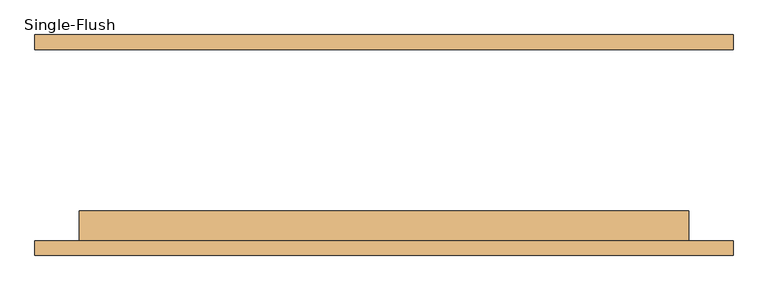
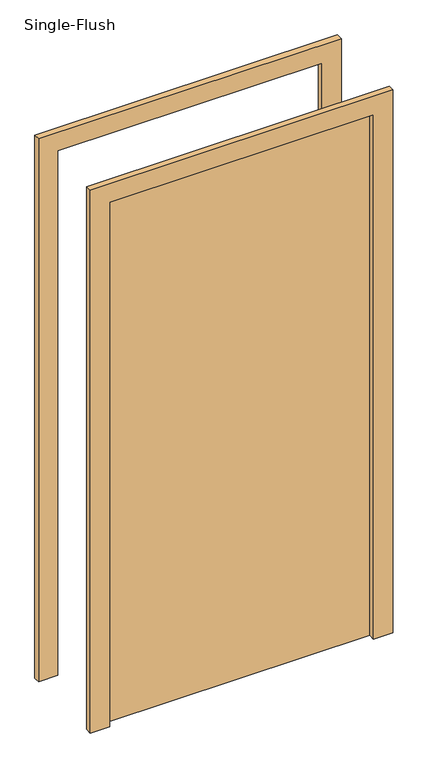
"""IFC4 building model written with IfcOpenShell, lengths in millimetres: door geometry, Single-Flush."""

import ifcopenshell
import ifcopenshell.guid

model = None  # the IFC model being written
_history = None  # IfcOwnerHistory: only IFC2X3 demands one
_inside = {}  # id of a spatial element -> (the spatial element, [elements in it])
_under = {}  # id of a project, library or spatial element -> (it, [spatial elements below it])
_declared = {}  # id of a project -> (the project, [libraries it declares])
_typed = {}  # id of a type object -> (the type object, [elements of that type])
_made_of = {}  # id of a material, layer set ... -> (it, [elements and type objects made of it])


def new_model(schema):
    """Start an empty IFC model of exactly this schema.

    Asked for "IFC4X3", IfcOpenShell would pick the latest addendum, in which some entities
    have other attributes; the version numbers below select the first issue.
    IFC2X3 requires an IfcOwnerHistory on every rooted entity: one is made here for all.
    """
    global model, _history
    if schema == "IFC4X3":
        model = ifcopenshell.file(schema_version=(4, 3, 0, 0))
    else:
        model = ifcopenshell.file(schema=schema)
    _inside.clear()
    _under.clear()
    _declared.clear()
    _typed.clear()
    _made_of.clear()
    _history = None
    if model.schema == "IFC2X3":
        org = make("IfcOrganization", Name="unknown")
        user = make(
            "IfcPersonAndOrganization",
            ThePerson=make("IfcPerson", FamilyName="unknown"),
            TheOrganization=org,
        )
        app = make(
            "IfcApplication",
            ApplicationDeveloper=org,
            Version="unknown",
            ApplicationFullName="unknown",
            ApplicationIdentifier="unknown",
        )
        _history = make(
            "IfcOwnerHistory",
            OwningUser=user,
            OwningApplication=app,
            ChangeAction="ADDED",
            CreationDate=0,
        )
    return model


def make(cls, **values):
    """One entity of the class cls with the attributes given. An attribute that is None is left unset."""
    return model.create_entity(
        cls, **{name: value for name, value in values.items() if value is not None}
    )


def rooted(cls, **values):
    """An entity with a GlobalId (a new one), such as an element, a storey or a relation."""
    return make(cls, GlobalId=ifcopenshell.guid.new(), OwnerHistory=_history, **values)


def si_unit(unit_type, name, prefix=None):
    """IfcSIUnit, for example si_unit("LENGTHUNIT", "METRE", prefix="MILLI")."""
    return make("IfcSIUnit", UnitType=unit_type, Prefix=prefix, Name=name)


def assignment(units):
    """IfcUnitAssignment: the units of a project."""
    return None if units is None else make("IfcUnitAssignment", Units=units)


def point(xyz):
    """IfcCartesianPoint."""
    return None if xyz is None else make("IfcCartesianPoint", Coordinates=xyz)


def direction(xyz):
    """IfcDirection."""
    return None if xyz is None else make("IfcDirection", DirectionRatios=xyz)


def frame(location, z_axis=None, x_axis=None):
    """IfcAxis2Placement3D, a coordinate frame: its origin and axes. An axis left out is left unset."""
    return make(
        "IfcAxis2Placement3D",
        Location=point(location),
        Axis=direction(z_axis),
        RefDirection=direction(x_axis),
    )


def origin():
    """The frame at (0, 0, 0) with its axes left unset."""
    return frame((0.0, 0.0, 0.0))


def origin_with_axes():
    """The frame at (0, 0, 0) with the z axis (0, 0, 1) and the x axis (1, 0, 0) written out."""
    return frame((0.0, 0.0, 0.0), z_axis=(0.0, 0.0, 1.0), x_axis=(1.0, 0.0, 0.0))


def place(relative_to, where):
    """IfcLocalPlacement: puts the frame where relative to a parent placement (None: the world)."""
    return make(
        "IfcLocalPlacement", PlacementRelTo=relative_to, RelativePlacement=where
    )


def context(
    kind, dimensions, precision=None, world=None, true_north=None, identifier=None
):
    """IfcGeometricRepresentationContext, for example the 3D "Model" context."""
    return make(
        "IfcGeometricRepresentationContext",
        ContextIdentifier=identifier,
        ContextType=kind,
        CoordinateSpaceDimension=dimensions,
        Precision=precision,
        WorldCoordinateSystem=world,
        TrueNorth=true_north,
    )


def project(units=None, contexts=None):
    """IfcProject with its units and contexts."""
    return rooted(
        "IfcProject",
        Name="project",
        RepresentationContexts=contexts,
        UnitsInContext=assignment(units),
    )


def spatial(cls, under=None, at=None, **own):
    """A site, building, storey or space (cls), placed at a placement, below another one or the project."""
    s = rooted(cls, ObjectPlacement=at, **own)
    if under is not None:
        _under.setdefault(under.id(), (under, []))[1].append(s)
    return s


def polyline(points):
    """IfcPolyline through the points."""
    return make("IfcPolyline", Points=[point(p) for p in points])


def outline(outer, holes=None, kind="AREA"):
    """IfcArbitraryClosedProfileDef: a profile drawn as a closed curve; with holes, ...WithVoids."""
    if holes is None:
        return make("IfcArbitraryClosedProfileDef", ProfileType=kind, OuterCurve=outer)
    return make(
        "IfcArbitraryProfileDefWithVoids",
        ProfileType=kind,
        OuterCurve=outer,
        InnerCurves=holes,
    )


def extrude(swept, where, along, depth):
    """IfcExtrudedAreaSolid: the profile swept, set in the frame where, extruded along a direction by depth."""
    return make(
        "IfcExtrudedAreaSolid",
        SweptArea=swept,
        Position=where,
        ExtrudedDirection=direction(along),
        Depth=depth,
    )


def shape(context_of_items, identifier, shape_type, items):
    """IfcShapeRepresentation: the items that make up one representation, for example the "Body"."""
    return make(
        "IfcShapeRepresentation",
        ContextOfItems=context_of_items,
        RepresentationIdentifier=identifier,
        RepresentationType=shape_type,
        Items=items,
    )


def source(mapping_origin, context_of_items, identifier, shape_type, items):
    """IfcRepresentationMap: a shape defined once, which mapped items show again and again."""
    return make(
        "IfcRepresentationMap",
        MappingOrigin=mapping_origin,
        MappedRepresentation=shape(context_of_items, identifier, shape_type, items),
    )


def transform(
    local_origin,
    x_axis=None,
    y_axis=None,
    z_axis=None,
    scale=None,
    scale2=None,
    scale3=None,
    uniform=True,
):
    """IfcCartesianTransformationOperator3D, or its non-uniform kind. x_axis, y_axis, z_axis: its Axis1, 2, 3."""
    if uniform:
        return make(
            "IfcCartesianTransformationOperator3D",
            Axis1=direction(x_axis),
            Axis2=direction(y_axis),
            LocalOrigin=point(local_origin),
            Scale=scale,
            Axis3=direction(z_axis),
        )
    return make(
        "IfcCartesianTransformationOperator3DnonUniform",
        Axis1=direction(x_axis),
        Axis2=direction(y_axis),
        LocalOrigin=point(local_origin),
        Scale=scale,
        Axis3=direction(z_axis),
        Scale2=scale2,
        Scale3=scale3,
    )


def mapped(mapping_source, mapping_target):
    """IfcMappedItem: shows the shape of a source again, moved by a transform."""
    return make(
        "IfcMappedItem", MappingSource=mapping_source, MappingTarget=mapping_target
    )


def made_of(thing, what):
    """Note that an element or type object is made of a material, layer set ...; save() writes the relation."""
    if what is not None:
        _made_of.setdefault(what.id(), (what, []))[1].append(thing)
    return thing


def element(
    cls,
    number,
    at=None,
    inside=None,
    cuts=None,
    type_object=None,
    material=None,
    context=None,
    identifier="Body",
    shape_type=None,
    held_by="IfcProductDefinitionShape",
    body=None,
    shapes=None,
    **own,
):
    """One element of the class cls, such as IfcWall. Its Tag is "e" and its number.

    at: its placement. inside: the storey or other place that contains it. cuts: it is an
    opening in that element (IfcRelVoidsElement). A single representation is given by context,
    identifier, shape_type and body (its items); several are given by shapes. held_by: the class
    of the entity that holds the representations. save() writes the other relations.
    """
    e = rooted(cls, Tag="e%d" % number, ObjectPlacement=at, **own)
    if body is not None:
        shapes = [shape(context, identifier, shape_type, body)]
    if shapes is not None:
        e.Representation = make(held_by, Representations=shapes)
    if inside is not None:
        _inside.setdefault(inside.id(), (inside, []))[1].append(e)
    if cuts is not None:
        rooted(
            "IfcRelVoidsElement", RelatingBuildingElement=cuts, RelatedOpeningElement=e
        )
    if type_object is not None:
        _typed.setdefault(type_object.id(), (type_object, []))[1].append(e)
    return made_of(e, material)


def aggregate(whole, parts):
    """IfcRelAggregates: a whole, such as a stair, and the parts it consists of."""
    return rooted("IfcRelAggregates", RelatingObject=whole, RelatedObjects=parts)


def save(model, path):
    """Write the relations noted so far, then the file.

    IfcRelAggregates (storeys below a building ...), IfcRelContainedInSpatialStructure (elements
    in a storey), IfcRelDefinesByType, IfcRelAssociatesMaterial and IfcRelDeclares: one each for
    every whole, place, type object, material and project.
    """
    for whole, parts in _under.values():
        aggregate(whole, parts)
    for where, things in _inside.values():
        rooted(
            "IfcRelContainedInSpatialStructure",
            RelatedElements=things,
            RelatingStructure=where,
        )
    for kind, things in _typed.values():
        rooted("IfcRelDefinesByType", RelatedObjects=things, RelatingType=kind)
    for what, things in _made_of.values():
        rooted("IfcRelAssociatesMaterial", RelatedObjects=things, RelatingMaterial=what)
    for by, libraries in _declared.values():
        rooted("IfcRelDeclares", RelatingContext=by, RelatedDefinitions=libraries)
    model.write(path)


def single_flush_e70d8bdf(model_context):
    return source(origin(), model_context, "Body", "SweptSolid", [
        extrude(outline(polyline([(2260.6, -596.9), (0.0, -596.9), (0.0, -520.7), (2184.4, -520.7), (2184.4, 520.7), (0.0, 520.7), (0.0, 596.9), (2260.6, 596.9), (2260.6, -596.9)])), frame((0.0, -188.9125, 0.0), z_axis=(0.0, 1.0, 0.0), x_axis=(0.0, 0.0, 1.0)), (0.0, 0.0, 1.0), 25.4),
        extrude(outline(polyline([(2260.6, 596.9), (2260.6, -596.9), (0.0, -596.9), (0.0, -520.7), (2184.4, -520.7), (2184.4, 520.7), (0.0, 520.7), (0.0, 596.9), (2260.6, 596.9)])), frame((0.0, 163.5125, 0.0), z_axis=(0.0, 1.0, 0.0), x_axis=(0.0, 0.0, 1.0)), (0.0, 0.0, 1.0), 25.4),
        extrude(outline(polyline([(520.7, -112.7125), (520.7, -163.5125), (-520.7, -163.5125), (-520.7, -112.7125), (520.7, -112.7125)])), origin_with_axes(), (0.0, 0.0, 1.0), 2184.4),
    ])


if __name__ == "__main__":
    model = new_model("IFC4")
    model_context = context("Model", 3, world=origin())
    ifc_project = project(units=[si_unit("LENGTHUNIT", "METRE", prefix="MILLI")], contexts=[model_context])
    site = spatial("IfcSite", under=ifc_project)
    building = spatial("IfcBuilding", under=site)
    placement = place(None, origin())
    single_flush_shape = single_flush_e70d8bdf(model_context)
    element("IfcDoor", 1, ObjectType="Single-Flush", at=placement, inside=building, context=model_context, shape_type="MappedRepresentation", body=[
        mapped(single_flush_shape, transform((0.0, 0.0, 0.0), x_axis=(1.0, 0.0, 0.0), y_axis=(0.0, 1.0, 0.0), z_axis=(0.0, 0.0, 1.0))),
    ])
    save(model, "model.ifc")
